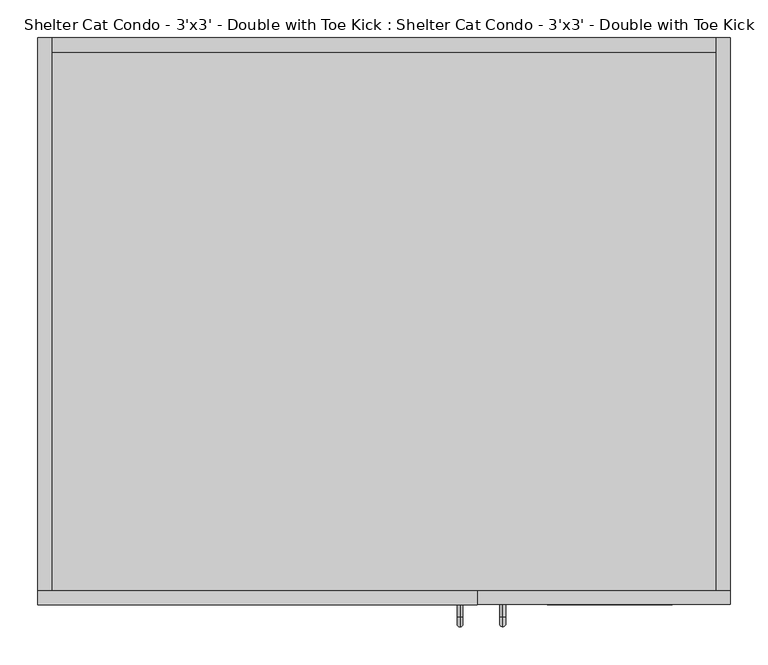
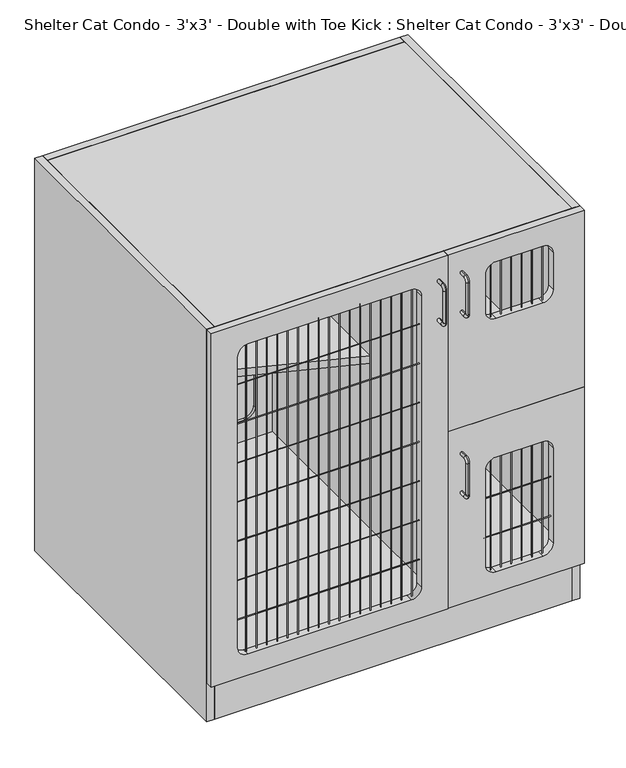
"""IFC4 building model written with IfcOpenShell, lengths in millimetres: proxy geometry, Shelter Cat Condo - 3'x3' - Double with Toe Kick : Shelter Cat Condo - 3'x3' - Double with Toe Kick."""

from ifc_helpers import new_model, si_unit, point, frame, frame_2d, origin, origin_with_axes, place, context, project, spatial, polyline, circle_curve, ellipse_curve, trimmed, segment, composite_curve, outline, extrude, source, transform, mapped, element, save
from ifc_brep_helpers import plane_surface, cylinder_surface, revolved_surface, advanced_brep


def shelter_cat_condo_3_x3_double_with_toe_kick_shelter_cat_d837baa0(model_context):
    return source(origin(), model_context, "Body", "SolidModel", [
        advanced_brep(
        [(613.9688814, -12.3992455, 956.5118154), (613.9688814, -12.3992455, 964.3631846), (613.9688814, -28.5610223, 964.3631846), (613.9688814, -28.5610223, 956.5118154), (613.9688814, -41.7249301, 951.1992768), (613.9688814, -33.8735609, 951.1992768), (613.9688814, -41.7249301, 868.0757232), (613.9688814, -33.8735609, 868.0757232), (613.9688814, -28.5610223, 854.9118154), (613.9688814, -28.5610223, 862.7631846), (613.9688814, -12.3992455, 862.7631846), (613.9688814, -12.3992455, 854.9118154)],
        [
            (0, 1, circle_curve(frame((613.9688814, -12.3992455, 960.4375), z_axis=(0.0, 1.0, 0.0), x_axis=(0.0, 0.0, 1.0)), 3.9256846)),
            (1, 0, circle_curve(frame((613.9688814, -12.3992455, 960.4375), z_axis=(0.0, 1.0, 0.0), x_axis=(0.0, 0.0, 1.0)), 3.9256846)),
            (1, 2),
            (2, 3, circle_curve(frame((613.9688814, -28.5610223, 960.4375), z_axis=(0.0, 1.0, 0.0), x_axis=(0.0, 0.0, 1.0)), 3.9256846)),
            (3, 0),
            (3, 2, circle_curve(frame((613.9688814, -28.5610223, 960.4375), z_axis=(0.0, 1.0, 0.0), x_axis=(0.0, 0.0, 1.0)), 3.9256846)),
            (4, 5, circle_curve(frame((613.9688814, -37.7992455, 951.1992768), z_axis=(0.0, 0.0, 1.0), x_axis=(0.0, -1.0, 0.0)), 3.9256846)),
            (5, 3, circle_curve(frame((613.9688814, -28.5610223, 951.1992768), z_axis=(-1.0, 0.0, 0.0), x_axis=(0.0, 0.0, 1.0)), 5.3125387)),
            (2, 4, circle_curve(frame((613.9688814, -28.5610223, 951.1992768), z_axis=(1.0, 0.0, 0.0), x_axis=(0.0, 0.0, 1.0)), 13.1639078)),
            (5, 4, circle_curve(frame((613.9688814, -37.7992455, 951.1992768), z_axis=(0.0, 0.0, 1.0), x_axis=(0.0, -1.0, 0.0)), 3.9256846)),
            (4, 6),
            (6, 7, circle_curve(frame((613.9688814, -37.7992455, 868.0757232), z_axis=(0.0, 0.0, 1.0), x_axis=(0.0, -1.0, 0.0)), 3.9256846)),
            (7, 5),
            (7, 6, circle_curve(frame((613.9688814, -37.7992455, 868.0757232), z_axis=(0.0, 0.0, 1.0), x_axis=(0.0, -1.0, 0.0)), 3.9256846)),
            (8, 9, circle_curve(frame((613.9688814, -28.5610223, 858.8375), z_axis=(0.0, -1.0, 0.0), x_axis=(0.0, 0.0, -1.0)), 3.9256846)),
            (9, 7, circle_curve(frame((613.9688814, -28.5610223, 868.0757232), z_axis=(-1.0, 0.0, 0.0), x_axis=(0.0, -1.0, 0.0)), 5.3125387)),
            (6, 8, circle_curve(frame((613.9688814, -28.5610223, 868.0757232), z_axis=(1.0, 0.0, 0.0), x_axis=(0.0, -1.0, 0.0)), 13.1639078)),
            (9, 8, circle_curve(frame((613.9688814, -28.5610223, 858.8375), z_axis=(0.0, -1.0, 0.0), x_axis=(0.0, 0.0, -1.0)), 3.9256846)),
            (10, 11, circle_curve(frame((613.9688814, -12.3992455, 858.8375), z_axis=(0.0, 1.0, 0.0), x_axis=(0.0, 0.0, -1.0)), 3.9256846)),
            (11, 10, circle_curve(frame((613.9688814, -12.3992455, 858.8375), z_axis=(0.0, 1.0, 0.0), x_axis=(0.0, 0.0, -1.0)), 3.9256846)),
            (8, 11),
            (10, 9),
        ],
        [
            plane_surface(frame((613.9688814, -12.3992455, 960.4375), z_axis=(0.0, 1.0, 0.0), x_axis=(-1.0, 0.0, 0.0))),
            cylinder_surface(frame((613.9688814, -12.3992455, 960.4375), z_axis=(0.0, 1.0, 0.0), x_axis=(0.0, 0.0, 1.0)), 3.9256846),
            revolved_surface(trimmed(ellipse_curve(frame((613.9688814, -28.5610223, 960.4375), z_axis=(0.0, -1.0, 0.0), x_axis=(0.0, 0.0, 1.0)), 3.9256846, 3.9256846), [point((613.9688814, -28.5610223, 956.5118154))], [point((613.9688814, -28.5610223, 964.3631846))], True, "CARTESIAN"), (613.9688814, -28.5610223, 951.1992768), (-1.0, 0.0, 0.0)),
            revolved_surface(trimmed(ellipse_curve(frame((613.9688814, -28.5610223, 960.4375), z_axis=(0.0, -1.0, 0.0), x_axis=(0.0, 0.0, 1.0)), 3.9256846, 3.9256846), [point((613.9688814, -28.5610223, 964.3631846))], [point((613.9688814, -28.5610223, 956.5118154))], True, "CARTESIAN"), (613.9688814, -28.5610223, 951.1992768), (-1.0, 0.0, 0.0)),
            cylinder_surface(frame((613.9688814, -37.7992455, 951.1992768), z_axis=(0.0, 0.0, 1.0), x_axis=(0.0, -1.0, 0.0)), 3.9256846),
            revolved_surface(trimmed(ellipse_curve(frame((613.9688814, -37.7992455, 868.0757232), z_axis=(0.0, 0.0, -1.0), x_axis=(0.0, -1.0, 0.0)), 3.9256846, 3.9256846), [point((613.9688814, -33.8735609, 868.0757232))], [point((613.9688814, -41.7249301, 868.0757232))], True, "CARTESIAN"), (613.9688814, -28.5610223, 868.0757232), (-1.0, 0.0, 0.0)),
            revolved_surface(trimmed(ellipse_curve(frame((613.9688814, -37.7992455, 868.0757232), z_axis=(0.0, 0.0, -1.0), x_axis=(0.0, -1.0, 0.0)), 3.9256846, 3.9256846), [point((613.9688814, -41.7249301, 868.0757232))], [point((613.9688814, -33.8735609, 868.0757232))], True, "CARTESIAN"), (613.9688814, -28.5610223, 868.0757232), (-1.0, 0.0, 0.0)),
            plane_surface(frame((613.9688814, -12.3992455, 858.8375), z_axis=(0.0, 1.0, 0.0), x_axis=(-1.0, 0.0, 0.0))),
            cylinder_surface(frame((613.9688814, -28.5610223, 858.8375), z_axis=(0.0, -1.0, 0.0), x_axis=(0.0, 0.0, -1.0)), 3.9256846),
        ],
        [
            (0, [[1, 2]]),
            (1, [[3, 4, 5, -2]]),
            (1, [[-5, 6, -3, -1]]),
            (2, [[7, 8, -4, 9]]),
            (3, [[10, -9, -6, -8]]),
            (4, [[11, 12, 13, -7]]),
            (4, [[-13, 14, -11, -10]]),
            (5, [[15, 16, -12, 17]]),
            (6, [[18, -17, -14, -16]]),
            (7, [[19, 20]]),
            (8, [[21, -19, 22, -15]]),
            (8, [[-22, -20, -21, -18]]),
        ],
    ),
        advanced_brep(
        [(613.9688814, -12.3992455, 488.1993154), (613.9688814, -12.3992455, 496.0506846), (613.9688814, -28.5610223, 496.0506846), (613.9688814, -28.5610223, 488.1993154), (613.9688814, -41.7249301, 482.8867768), (613.9688814, -33.8735609, 482.8867768), (613.9688814, -41.7249301, 399.7632232), (613.9688814, -33.8735609, 399.7632232), (613.9688814, -28.5610223, 386.5993154), (613.9688814, -28.5610223, 394.4506846), (613.9688814, -12.3992455, 394.4506846), (613.9688814, -12.3992455, 386.5993154)],
        [
            (0, 1, circle_curve(frame((613.9688814, -12.3992455, 492.125), z_axis=(0.0, 1.0, 0.0), x_axis=(0.0, 0.0, 1.0)), 3.9256846)),
            (1, 0, circle_curve(frame((613.9688814, -12.3992455, 492.125), z_axis=(0.0, 1.0, 0.0), x_axis=(0.0, 0.0, 1.0)), 3.9256846)),
            (1, 2),
            (2, 3, circle_curve(frame((613.9688814, -28.5610223, 492.125), z_axis=(0.0, 1.0, 0.0), x_axis=(0.0, 0.0, 1.0)), 3.9256846)),
            (3, 0),
            (3, 2, circle_curve(frame((613.9688814, -28.5610223, 492.125), z_axis=(0.0, 1.0, 0.0), x_axis=(0.0, 0.0, 1.0)), 3.9256846)),
            (4, 5, circle_curve(frame((613.9688814, -37.7992455, 482.8867768), z_axis=(0.0, 0.0, 1.0), x_axis=(0.0, -1.0, 0.0)), 3.9256846)),
            (5, 3, circle_curve(frame((613.9688814, -28.5610223, 482.8867768), z_axis=(-1.0, 0.0, 0.0), x_axis=(0.0, 0.0, 1.0)), 5.3125387)),
            (2, 4, circle_curve(frame((613.9688814, -28.5610223, 482.8867768), z_axis=(1.0, 0.0, 0.0), x_axis=(0.0, 0.0, 1.0)), 13.1639078)),
            (5, 4, circle_curve(frame((613.9688814, -37.7992455, 482.8867768), z_axis=(0.0, 0.0, 1.0), x_axis=(0.0, -1.0, 0.0)), 3.9256846)),
            (4, 6),
            (6, 7, circle_curve(frame((613.9688814, -37.7992455, 399.7632232), z_axis=(0.0, 0.0, 1.0), x_axis=(0.0, -1.0, 0.0)), 3.9256846)),
            (7, 5),
            (7, 6, circle_curve(frame((613.9688814, -37.7992455, 399.7632232), z_axis=(0.0, 0.0, 1.0), x_axis=(0.0, -1.0, 0.0)), 3.9256846)),
            (8, 9, circle_curve(frame((613.9688814, -28.5610223, 390.525), z_axis=(0.0, -1.0, 0.0), x_axis=(0.0, 0.0, -1.0)), 3.9256846)),
            (9, 7, circle_curve(frame((613.9688814, -28.5610223, 399.7632232), z_axis=(-1.0, 0.0, 0.0), x_axis=(0.0, -1.0, 0.0)), 5.3125387)),
            (6, 8, circle_curve(frame((613.9688814, -28.5610223, 399.7632232), z_axis=(1.0, 0.0, 0.0), x_axis=(0.0, -1.0, 0.0)), 13.1639078)),
            (9, 8, circle_curve(frame((613.9688814, -28.5610223, 390.525), z_axis=(0.0, -1.0, 0.0), x_axis=(0.0, 0.0, -1.0)), 3.9256846)),
            (10, 11, circle_curve(frame((613.9688814, -12.3992455, 390.525), z_axis=(0.0, 1.0, 0.0), x_axis=(0.0, 0.0, -1.0)), 3.9256846)),
            (11, 10, circle_curve(frame((613.9688814, -12.3992455, 390.525), z_axis=(0.0, 1.0, 0.0), x_axis=(0.0, 0.0, -1.0)), 3.9256846)),
            (8, 11),
            (10, 9),
        ],
        [
            plane_surface(frame((613.9688814, -12.3992455, 492.125), z_axis=(0.0, 1.0, 0.0), x_axis=(-1.0, 0.0, 0.0))),
            cylinder_surface(frame((613.9688814, -12.3992455, 492.125), z_axis=(0.0, 1.0, 0.0), x_axis=(0.0, 0.0, 1.0)), 3.9256846),
            revolved_surface(trimmed(ellipse_curve(frame((613.9688814, -28.5610223, 492.125), z_axis=(0.0, -1.0, 0.0), x_axis=(0.0, 0.0, 1.0)), 3.9256846, 3.9256846), [point((613.9688814, -28.5610223, 488.1993154))], [point((613.9688814, -28.5610223, 496.0506846))], True, "CARTESIAN"), (613.9688814, -28.5610223, 482.8867768), (-1.0, 0.0, 0.0)),
            revolved_surface(trimmed(ellipse_curve(frame((613.9688814, -28.5610223, 492.125), z_axis=(0.0, -1.0, 0.0), x_axis=(0.0, 0.0, 1.0)), 3.9256846, 3.9256846), [point((613.9688814, -28.5610223, 496.0506846))], [point((613.9688814, -28.5610223, 488.1993154))], True, "CARTESIAN"), (613.9688814, -28.5610223, 482.8867768), (-1.0, 0.0, 0.0)),
            cylinder_surface(frame((613.9688814, -37.7992455, 482.8867768), z_axis=(0.0, 0.0, 1.0), x_axis=(0.0, -1.0, 0.0)), 3.9256846),
            revolved_surface(trimmed(ellipse_curve(frame((613.9688814, -37.7992455, 399.7632232), z_axis=(0.0, 0.0, -1.0), x_axis=(0.0, -1.0, 0.0)), 3.9256846, 3.9256846), [point((613.9688814, -33.8735609, 399.7632232))], [point((613.9688814, -41.7249301, 399.7632232))], True, "CARTESIAN"), (613.9688814, -28.5610223, 399.7632232), (-1.0, 0.0, 0.0)),
            revolved_surface(trimmed(ellipse_curve(frame((613.9688814, -37.7992455, 399.7632232), z_axis=(0.0, 0.0, -1.0), x_axis=(0.0, -1.0, 0.0)), 3.9256846, 3.9256846), [point((613.9688814, -41.7249301, 399.7632232))], [point((613.9688814, -33.8735609, 399.7632232))], True, "CARTESIAN"), (613.9688814, -28.5610223, 399.7632232), (-1.0, 0.0, 0.0)),
            plane_surface(frame((613.9688814, -12.3992455, 390.525), z_axis=(0.0, 1.0, 0.0), x_axis=(-1.0, 0.0, 0.0))),
            cylinder_surface(frame((613.9688814, -28.5610223, 390.525), z_axis=(0.0, -1.0, 0.0), x_axis=(0.0, 0.0, -1.0)), 3.9256846),
        ],
        [
            (0, [[1, 2]]),
            (1, [[3, 4, 5, -2]]),
            (1, [[-5, 6, -3, -1]]),
            (2, [[7, 8, -4, 9]]),
            (3, [[10, -9, -6, -8]]),
            (4, [[11, 12, 13, -7]]),
            (4, [[-13, 14, -11, -10]]),
            (5, [[15, 16, -12, 17]]),
            (6, [[18, -17, -14, -16]]),
            (7, [[19, 20]]),
            (8, [[21, -19, 22, -15]]),
            (8, [[-22, -20, -21, -18]]),
        ],
    ),
        advanced_brep(
        [(557.5878423, -12.7, 954.9243154), (557.5878423, -12.7, 962.7756846), (557.5878423, -28.8617768, 954.9243154), (557.5878423, -28.8617768, 962.7756846), (557.5878423, -42.0256846, 949.6117768), (557.5878423, -34.1743154, 949.6117768), (557.5878423, -34.1743154, 866.4882232), (557.5878423, -42.0256846, 866.4882232), (557.5878423, -28.8617768, 853.3243154), (557.5878423, -28.8617768, 861.1756846), (557.5878423, -12.7, 861.1756846), (557.5878423, -12.7, 853.3243154)],
        [
            (0, 1, circle_curve(frame((557.5878423, -12.7, 958.85), z_axis=(0.0, 1.0, 0.0), x_axis=(0.0, 0.0, 1.0)), 3.9256846)),
            (1, 0, circle_curve(frame((557.5878423, -12.7, 958.85), z_axis=(0.0, 1.0, 0.0), x_axis=(0.0, 0.0, 1.0)), 3.9256846)),
            (0, 2),
            (2, 3, circle_curve(frame((557.5878423, -28.8617768, 958.85), z_axis=(0.0, 1.0, 0.0), x_axis=(0.0, 0.0, 1.0)), 3.9256846)),
            (3, 1),
            (3, 2, circle_curve(frame((557.5878423, -28.8617768, 958.85), z_axis=(0.0, 1.0, 0.0), x_axis=(0.0, 0.0, 1.0)), 3.9256846)),
            (4, 3, circle_curve(frame((557.5878423, -28.8617768, 949.6117768), z_axis=(-1.0, 0.0, 0.0), x_axis=(0.0, 0.0, 1.0)), 13.1639078)),
            (2, 5, circle_curve(frame((557.5878423, -28.8617768, 949.6117768), z_axis=(1.0, 0.0, 0.0), x_axis=(0.0, 0.0, 1.0)), 5.3125387)),
            (5, 4, circle_curve(frame((557.5878423, -38.1, 949.6117768), z_axis=(0.0, 0.0, 1.0), x_axis=(0.0, -1.0, 0.0)), 3.9256846)),
            (4, 5, circle_curve(frame((557.5878423, -38.1, 949.6117768), z_axis=(0.0, 0.0, 1.0), x_axis=(0.0, -1.0, 0.0)), 3.9256846)),
            (5, 6),
            (6, 7, circle_curve(frame((557.5878423, -38.1, 866.4882232), z_axis=(0.0, 0.0, 1.0), x_axis=(0.0, -1.0, 0.0)), 3.9256846)),
            (7, 4),
            (7, 6, circle_curve(frame((557.5878423, -38.1, 866.4882232), z_axis=(0.0, 0.0, 1.0), x_axis=(0.0, -1.0, 0.0)), 3.9256846)),
            (8, 7, circle_curve(frame((557.5878423, -28.8617768, 866.4882232), z_axis=(-1.0, 0.0, 0.0), x_axis=(0.0, -1.0, 0.0)), 13.1639078)),
            (6, 9, circle_curve(frame((557.5878423, -28.8617768, 866.4882232), z_axis=(1.0, 0.0, 0.0), x_axis=(0.0, -1.0, 0.0)), 5.3125387)),
            (9, 8, circle_curve(frame((557.5878423, -28.8617768, 857.25), z_axis=(0.0, -1.0, 0.0), x_axis=(0.0, 0.0, -1.0)), 3.9256846)),
            (8, 9, circle_curve(frame((557.5878423, -28.8617768, 857.25), z_axis=(0.0, -1.0, 0.0), x_axis=(0.0, 0.0, -1.0)), 3.9256846)),
            (10, 11, circle_curve(frame((557.5878423, -12.7, 857.25), z_axis=(0.0, 1.0, 0.0), x_axis=(0.0, 0.0, -1.0)), 3.9256846)),
            (11, 10, circle_curve(frame((557.5878423, -12.7, 857.25), z_axis=(0.0, 1.0, 0.0), x_axis=(0.0, 0.0, -1.0)), 3.9256846)),
            (9, 10),
            (11, 8),
        ],
        [
            plane_surface(frame((557.5878423, -12.7, 958.85), z_axis=(0.0, 1.0, 0.0), x_axis=(1.0, 0.0, 0.0))),
            cylinder_surface(frame((557.5878423, -12.7, 958.85), z_axis=(0.0, 1.0, 0.0), x_axis=(0.0, 0.0, 1.0)), 3.9256846),
            revolved_surface(trimmed(ellipse_curve(frame((557.5878423, -28.8617768, 958.85), z_axis=(0.0, 1.0, 0.0), x_axis=(0.0, 0.0, 1.0)), 3.9256846, 3.9256846), [point((557.5878423, -28.8617768, 954.9243154))], [point((557.5878423, -28.8617768, 962.7756846))], True, "CARTESIAN"), (557.5878423, -28.8617768, 949.6117768), (1.0, 0.0, 0.0)),
            revolved_surface(trimmed(ellipse_curve(frame((557.5878423, -28.8617768, 958.85), z_axis=(0.0, 1.0, 0.0), x_axis=(0.0, 0.0, 1.0)), 3.9256846, 3.9256846), [point((557.5878423, -28.8617768, 962.7756846))], [point((557.5878423, -28.8617768, 954.9243154))], True, "CARTESIAN"), (557.5878423, -28.8617768, 949.6117768), (1.0, 0.0, 0.0)),
            cylinder_surface(frame((557.5878423, -38.1, 949.6117768), z_axis=(0.0, 0.0, 1.0), x_axis=(0.0, -1.0, 0.0)), 3.9256846),
            revolved_surface(trimmed(ellipse_curve(frame((557.5878423, -38.1, 866.4882232), z_axis=(0.0, 0.0, 1.0), x_axis=(0.0, -1.0, 0.0)), 3.9256846, 3.9256846), [point((557.5878423, -34.1743154, 866.4882232))], [point((557.5878423, -42.0256846, 866.4882232))], True, "CARTESIAN"), (557.5878423, -28.8617768, 866.4882232), (1.0, 0.0, 0.0)),
            revolved_surface(trimmed(ellipse_curve(frame((557.5878423, -38.1, 866.4882232), z_axis=(0.0, 0.0, 1.0), x_axis=(0.0, -1.0, 0.0)), 3.9256846, 3.9256846), [point((557.5878423, -42.0256846, 866.4882232))], [point((557.5878423, -34.1743154, 866.4882232))], True, "CARTESIAN"), (557.5878423, -28.8617768, 866.4882232), (1.0, 0.0, 0.0)),
            plane_surface(frame((557.5878423, -12.7, 857.25), z_axis=(0.0, 1.0, 0.0), x_axis=(1.0, 0.0, 0.0))),
            cylinder_surface(frame((557.5878423, -28.8617768, 857.25), z_axis=(0.0, -1.0, 0.0), x_axis=(0.0, 0.0, -1.0)), 3.9256846),
        ],
        [
            (0, [[1, 2]]),
            (1, [[-1, 3, 4, 5]]),
            (1, [[-2, -5, 6, -3]]),
            (2, [[7, -4, 8, 9]]),
            (3, [[-8, -6, -7, 10]]),
            (4, [[-9, 11, 12, 13]]),
            (4, [[-10, -13, 14, -11]]),
            (5, [[15, -12, 16, 17]]),
            (6, [[-16, -14, -15, 18]]),
            (7, [[19, 20]]),
            (8, [[-17, 21, -20, 22]]),
            (8, [[-18, -22, -19, -21]]),
        ],
    ),
        extrude(outline(polyline([(895.35, 25.4), (895.35, 6.35), (19.05, 6.35), (19.05, 25.4), (895.35, 25.4)])), origin_with_axes(), (0.0, 0.0, 1.0), 101.6),
        extrude(outline(polyline([(1016.2479317, 895.35), (1016.2479317, 19.05), (101.6, 19.05), (101.6, 895.35), (1016.2479317, 895.35)]), holes=[composite_curve([segment(polyline([(854.3229317, 529.1944927), (200.025, 529.1944927)]), True, "CONTINUOUS"), segment(trimmed(circle_curve(frame_2d((200.025, 503.7944927)), 25.4), [point((200.025, 529.1944927))], [point((174.625, 503.7944927))], True, "CARTESIAN"), True, "CONTINUOUS"), segment(polyline([(174.625, 503.7944927), (174.625, 103.98125)]), True, "CONTINUOUS"), segment(trimmed(circle_curve(frame_2d((200.025, 103.98125)), 25.4), [point((174.625, 103.98125))], [point((200.025, 78.58125))], True, "CARTESIAN"), True, "CONTINUOUS"), segment(polyline([(200.025, 78.58125), (854.3229317, 78.58125)]), True, "CONTINUOUS"), segment(trimmed(circle_curve(frame_2d((854.3229317, 103.98125)), 25.4), [point((854.3229317, 78.58125))], [point((879.7229317, 103.98125))], True, "CARTESIAN"), True, "CONTINUOUS"), segment(polyline([(879.7229317, 103.98125), (879.7229317, 503.7944927)]), True, "CONTINUOUS"), segment(trimmed(circle_curve(frame_2d((854.3229317, 503.7944927)), 25.4), [point((879.7229317, 503.7944927))], [point((854.3229317, 529.1944927))], True, "CARTESIAN"), True, "CONTINUOUS")], self_intersect=False)]), frame((0.0, 717.55, 0.0), z_axis=(0.0, 1.0, 0.0), x_axis=(0.0, 0.0, 1.0)), (0.0, 0.0, 1.0), 19.05),
        extrude(outline(polyline([(571.5, 717.55), (590.55, 717.55), (590.55, 6.35), (571.5, 6.35), (571.5, 717.55)])), frame((0.0, 0.0, 120.65), z_axis=(0.0, 0.0, 1.0), x_axis=(1.0, 0.0, 0.0)), (0.0, 0.0, 1.0), 876.5479317),
        extrude(outline(composite_curve([segment(polyline([(879.7229317, 503.7944927), (879.7229317, 103.98125)]), True, "CONTINUOUS"), segment(trimmed(circle_curve(frame_2d((854.3229317, 103.98125)), 25.4), [point((879.7229317, 103.98125))], [point((854.3229317, 78.58125))], False, "CARTESIAN"), True, "CONTINUOUS"), segment(polyline([(854.3229317, 78.58125), (200.025, 78.58125)]), True, "CONTINUOUS"), segment(trimmed(circle_curve(frame_2d((200.025, 103.98125)), 25.4), [point((200.025, 78.58125))], [point((174.625, 103.98125))], False, "CARTESIAN"), True, "CONTINUOUS"), segment(polyline([(174.625, 103.98125), (174.625, 503.7944927)]), True, "CONTINUOUS"), segment(trimmed(circle_curve(frame_2d((200.025, 503.7944927)), 25.4), [point((174.625, 503.7944927))], [point((200.025, 529.1944927))], False, "CARTESIAN"), True, "CONTINUOUS"), segment(polyline([(200.025, 529.1944927), (854.3229317, 529.1944927)]), True, "CONTINUOUS"), segment(trimmed(circle_curve(frame_2d((854.3229317, 503.7944927)), 25.4), [point((854.3229317, 529.1944927))], [point((879.7229317, 503.7944927))], False, "CARTESIAN"), True, "CONTINUOUS")], self_intersect=False)), frame((0.0, 723.9, 0.0), z_axis=(0.0, 1.0, 0.0), x_axis=(0.0, 0.0, 1.0)), (0.0, 0.0, 1.0), 6.35),
        extrude(outline(polyline([(571.5, 717.55), (571.5, 300.5746441), (19.05, 501.65), (19.05, 717.55), (571.5, 717.55)])), frame((0.0, 0.0, 550.3822176), z_axis=(0.0, 0.0, 1.0), x_axis=(1.0, 0.0, 0.0)), (0.0, 0.0, 1.0), 19.05),
        extrude(outline(polyline([(895.35, 717.55), (895.35, 6.35), (590.55, 6.35), (590.55, 717.55), (895.35, 717.55)])), frame((0.0, 0.0, 549.3989658), z_axis=(0.0, 0.0, 1.0), x_axis=(1.0, 0.0, 0.0)), (0.0, 0.0, 1.0), 19.05),
        extrude(outline(polyline([(895.35, 717.55), (895.35, 6.35), (19.05, 6.35), (19.05, 717.55), (895.35, 717.55)])), frame((0.0, 0.0, 997.1979317), z_axis=(0.0, 0.0, 1.0), x_axis=(1.0, 0.0, 0.0)), (0.0, 0.0, 1.0), 19.05),
        extrude(outline(polyline([(895.35, 6.35), (19.05, 6.35), (19.05, 717.55), (895.35, 717.55), (895.35, 6.35)])), frame((0.0, 0.0, 101.6), z_axis=(0.0, 0.0, 1.0), x_axis=(1.0, 0.0, 0.0)), (0.0, 0.0, 1.0), 19.05),
        extrude(outline(polyline([(895.35, 736.6), (914.4, 736.6), (914.4, 6.35), (895.35, 6.35), (895.35, 736.6)])), origin_with_axes(), (0.0, 0.0, 1.0), 1016.2479317),
        extrude(outline(polyline([(19.05, 736.6), (19.05, 6.35), (0.0, 6.35), (0.0, 736.6), (19.05, 736.6)])), origin_with_axes(), (0.0, 0.0, 1.0), 1016.2479317),
        extrude(outline(composite_curve([segment(trimmed(circle_curve(frame_2d((-3.3102248, 246.0625)), 0.79375), [point((-3.3102248, 246.85625))], [point((-3.3102248, 245.26875))], False, "CARTESIAN"), True, "CONTINUOUS"), segment(trimmed(circle_curve(frame_2d((-3.3102248, 246.0625)), 0.79375), [point((-3.3102248, 245.26875))], [point((-3.3102248, 246.85625))], False, "CARTESIAN"), True, "CONTINUOUS")], self_intersect=False)), frame((64.7676292, 0.0, 0.0), z_axis=(1.0, 0.0, 0.0), x_axis=(0.0, 1.0, 0.0)), (0.0, 0.0, 1.0), 450.85),
        extrude(outline(composite_curve([segment(trimmed(circle_curve(frame_2d((-3.3102248, 855.6625)), 0.79375), [point((-3.3102248, 856.45625))], [point((-3.3102248, 854.86875))], False, "CARTESIAN"), True, "CONTINUOUS"), segment(trimmed(circle_curve(frame_2d((-3.3102248, 855.6625)), 0.79375), [point((-3.3102248, 854.86875))], [point((-3.3102248, 856.45625))], False, "CARTESIAN"), True, "CONTINUOUS")], self_intersect=False)), frame((64.7676292, 0.0, 0.0), z_axis=(1.0, 0.0, 0.0), x_axis=(0.0, 1.0, 0.0)), (0.0, 0.0, 1.0), 450.85),
        extrude(outline(composite_curve([segment(trimmed(circle_curve(frame_2d((-3.3102248, 754.0625)), 0.79375), [point((-3.3102248, 754.85625))], [point((-3.3102248, 753.26875))], False, "CARTESIAN"), True, "CONTINUOUS"), segment(trimmed(circle_curve(frame_2d((-3.3102248, 754.0625)), 0.79375), [point((-3.3102248, 753.26875))], [point((-3.3102248, 754.85625))], False, "CARTESIAN"), True, "CONTINUOUS")], self_intersect=False)), frame((64.7676292, 0.0, 0.0), z_axis=(1.0, 0.0, 0.0), x_axis=(0.0, 1.0, 0.0)), (0.0, 0.0, 1.0), 450.85),
        extrude(outline(polyline([(558.9239658, 914.4), (558.9239658, 580.3812652), (101.6, 580.3812652), (101.6, 914.4), (558.9239658, 914.4)]), holes=[composite_curve([segment(polyline([(452.4375, 698.5), (452.4375, 812.8)]), True, "CONTINUOUS"), segment(trimmed(circle_curve(frame_2d((427.0375, 812.8)), 25.4), [point((452.4375, 812.8))], [point((427.0375, 838.2))], True, "CARTESIAN"), True, "CONTINUOUS"), segment(polyline([(427.0375, 838.2), (180.975, 838.2)]), True, "CONTINUOUS"), segment(trimmed(circle_curve(frame_2d((180.975, 812.8)), 25.4), [point((180.975, 838.2))], [point((155.575, 812.8))], True, "CARTESIAN"), True, "CONTINUOUS"), segment(polyline([(155.575, 812.8), (155.575, 698.5)]), True, "CONTINUOUS"), segment(trimmed(circle_curve(frame_2d((180.975, 698.5)), 25.4), [point((155.575, 698.5))], [point((180.975, 673.1))], True, "CARTESIAN"), True, "CONTINUOUS"), segment(polyline([(180.975, 673.1), (427.0375, 673.1)]), True, "CONTINUOUS"), segment(trimmed(circle_curve(frame_2d((427.0375, 698.5)), 25.4), [point((427.0375, 673.1))], [point((452.4375, 698.5))], True, "CARTESIAN"), True, "CONTINUOUS")], self_intersect=False)]), frame((0.0, -12.3992455, 0.0), z_axis=(0.0, 1.0, 0.0), x_axis=(0.0, 0.0, 1.0)), (0.0, 0.0, 1.0), 19.05),
        extrude(outline(composite_curve([segment(trimmed(circle_curve(frame_2d((817.0432082, -3.3071265)), 0.79375), [point((816.2494582, -3.3071265))], [point((817.8369582, -3.3071265))], False, "CARTESIAN"), True, "CONTINUOUS"), segment(trimmed(circle_curve(frame_2d((817.0432082, -3.3071265)), 0.79375), [point((817.8369582, -3.3071265))], [point((816.2494582, -3.3071265))], False, "CARTESIAN"), True, "CONTINUOUS")], self_intersect=False)), frame((0.0, 0.0, 811.6855774), z_axis=(0.0, 0.0, 1.0), x_axis=(1.0, 0.0, 0.0)), (0.0, 0.0, 1.0), 147.1644226),
        extrude(outline(composite_curve([segment(trimmed(circle_curve(frame_2d((791.6432082, -3.3071265)), 0.79375), [point((790.8494582, -3.3071265))], [point((792.4369582, -3.3071265))], False, "CARTESIAN"), True, "CONTINUOUS"), segment(trimmed(circle_curve(frame_2d((791.6432082, -3.3071265)), 0.79375), [point((792.4369582, -3.3071265))], [point((790.8494582, -3.3071265))], False, "CARTESIAN"), True, "CONTINUOUS")], self_intersect=False)), frame((0.0, 0.0, 811.6855774), z_axis=(0.0, 0.0, 1.0), x_axis=(1.0, 0.0, 0.0)), (0.0, 0.0, 1.0), 147.1644226),
        extrude(outline(composite_curve([segment(trimmed(circle_curve(frame_2d((766.2432082, -3.3071265)), 0.79375), [point((765.4494582, -3.3071265))], [point((767.0369582, -3.3071265))], False, "CARTESIAN"), True, "CONTINUOUS"), segment(trimmed(circle_curve(frame_2d((766.2432082, -3.3071265)), 0.79375), [point((767.0369582, -3.3071265))], [point((765.4494582, -3.3071265))], False, "CARTESIAN"), True, "CONTINUOUS")], self_intersect=False)), frame((0.0, 0.0, 811.6855774), z_axis=(0.0, 0.0, 1.0), x_axis=(1.0, 0.0, 0.0)), (0.0, 0.0, 1.0), 147.1644226),
        extrude(outline(composite_curve([segment(trimmed(circle_curve(frame_2d((740.8432082, -3.3071265)), 0.79375), [point((740.0494582, -3.3071265))], [point((741.6369582, -3.3071265))], False, "CARTESIAN"), True, "CONTINUOUS"), segment(trimmed(circle_curve(frame_2d((740.8432082, -3.3071265)), 0.79375), [point((741.6369582, -3.3071265))], [point((740.0494582, -3.3071265))], False, "CARTESIAN"), True, "CONTINUOUS")], self_intersect=False)), frame((0.0, 0.0, 811.6855774), z_axis=(0.0, 0.0, 1.0), x_axis=(1.0, 0.0, 0.0)), (0.0, 0.0, 1.0), 147.1644226),
        extrude(outline(composite_curve([segment(trimmed(circle_curve(frame_2d((715.4432082, -3.3071265)), 0.79375), [point((714.6494582, -3.3071265))], [point((716.2369582, -3.3071265))], False, "CARTESIAN"), True, "CONTINUOUS"), segment(trimmed(circle_curve(frame_2d((715.4432082, -3.3071265)), 0.79375), [point((716.2369582, -3.3071265))], [point((714.6494582, -3.3071265))], False, "CARTESIAN"), True, "CONTINUOUS")], self_intersect=False)), frame((0.0, 0.0, 811.6855774), z_axis=(0.0, 0.0, 1.0), x_axis=(1.0, 0.0, 0.0)), (0.0, 0.0, 1.0), 147.1644226),
        extrude(outline(composite_curve([segment(trimmed(circle_curve(frame_2d((690.0432082, -3.3071265)), 0.79375), [point((689.2494582, -3.3071265))], [point((690.8369582, -3.3071265))], False, "CARTESIAN"), True, "CONTINUOUS"), segment(trimmed(circle_curve(frame_2d((690.0432082, -3.3071265)), 0.79375), [point((690.8369582, -3.3071265))], [point((689.2494582, -3.3071265))], False, "CARTESIAN"), True, "CONTINUOUS")], self_intersect=False)), frame((0.0, 0.0, 811.6855774), z_axis=(0.0, 0.0, 1.0), x_axis=(1.0, 0.0, 0.0)), (0.0, 0.0, 1.0), 147.1644226),
        extrude(outline(composite_curve([segment(trimmed(circle_curve(frame_2d((817.0505766, -3.3102248)), 0.79375), [point((816.2568266, -3.3102248))], [point((817.8443266, -3.3102248))], False, "CARTESIAN"), True, "CONTINUOUS"), segment(trimmed(circle_curve(frame_2d((817.0505766, -3.3102248)), 0.79375), [point((817.8443266, -3.3102248))], [point((816.2568266, -3.3102248))], False, "CARTESIAN"), True, "CONTINUOUS")], self_intersect=False)), frame((0.0, 0.0, 155.575), z_axis=(0.0, 0.0, 1.0), x_axis=(1.0, 0.0, 0.0)), (0.0, 0.0, 1.0), 296.8625),
        extrude(outline(composite_curve([segment(trimmed(circle_curve(frame_2d((791.6505766, -3.3102248)), 0.79375), [point((790.8568266, -3.3102248))], [point((792.4443266, -3.3102248))], False, "CARTESIAN"), True, "CONTINUOUS"), segment(trimmed(circle_curve(frame_2d((791.6505766, -3.3102248)), 0.79375), [point((792.4443266, -3.3102248))], [point((790.8568266, -3.3102248))], False, "CARTESIAN"), True, "CONTINUOUS")], self_intersect=False)), frame((0.0, 0.0, 155.575), z_axis=(0.0, 0.0, 1.0), x_axis=(1.0, 0.0, 0.0)), (0.0, 0.0, 1.0), 296.8625),
        extrude(outline(composite_curve([segment(trimmed(circle_curve(frame_2d((766.2505766, -3.3102248)), 0.79375), [point((765.4568266, -3.3102248))], [point((767.0443266, -3.3102248))], False, "CARTESIAN"), True, "CONTINUOUS"), segment(trimmed(circle_curve(frame_2d((766.2505766, -3.3102248)), 0.79375), [point((767.0443266, -3.3102248))], [point((765.4568266, -3.3102248))], False, "CARTESIAN"), True, "CONTINUOUS")], self_intersect=False)), frame((0.0, 0.0, 155.575), z_axis=(0.0, 0.0, 1.0), x_axis=(1.0, 0.0, 0.0)), (0.0, 0.0, 1.0), 296.8625),
        extrude(outline(composite_curve([segment(trimmed(circle_curve(frame_2d((740.8505766, -3.3102248)), 0.79375), [point((740.0568266, -3.3102248))], [point((741.6443266, -3.3102248))], False, "CARTESIAN"), True, "CONTINUOUS"), segment(trimmed(circle_curve(frame_2d((740.8505766, -3.3102248)), 0.79375), [point((741.6443266, -3.3102248))], [point((740.0568266, -3.3102248))], False, "CARTESIAN"), True, "CONTINUOUS")], self_intersect=False)), frame((0.0, 0.0, 155.575), z_axis=(0.0, 0.0, 1.0), x_axis=(1.0, 0.0, 0.0)), (0.0, 0.0, 1.0), 296.8625),
        extrude(outline(composite_curve([segment(trimmed(circle_curve(frame_2d((715.4505766, -3.3102248)), 0.79375), [point((714.6568266, -3.3102248))], [point((716.2443266, -3.3102248))], False, "CARTESIAN"), True, "CONTINUOUS"), segment(trimmed(circle_curve(frame_2d((715.4505766, -3.3102248)), 0.79375), [point((716.2443266, -3.3102248))], [point((714.6568266, -3.3102248))], False, "CARTESIAN"), True, "CONTINUOUS")], self_intersect=False)), frame((0.0, 0.0, 155.575), z_axis=(0.0, 0.0, 1.0), x_axis=(1.0, 0.0, 0.0)), (0.0, 0.0, 1.0), 296.8625),
        extrude(outline(composite_curve([segment(trimmed(circle_curve(frame_2d((690.0505766, -3.3102248)), 0.79375), [point((689.2568266, -3.3102248))], [point((690.8443266, -3.3102248))], False, "CARTESIAN"), True, "CONTINUOUS"), segment(trimmed(circle_curve(frame_2d((690.0505766, -3.3102248)), 0.79375), [point((690.8443266, -3.3102248))], [point((689.2568266, -3.3102248))], False, "CARTESIAN"), True, "CONTINUOUS")], self_intersect=False)), frame((0.0, 0.0, 155.575), z_axis=(0.0, 0.0, 1.0), x_axis=(1.0, 0.0, 0.0)), (0.0, 0.0, 1.0), 296.8625),
        extrude(outline(composite_curve([segment(trimmed(circle_curve(frame_2d((-3.3102248, 347.6625)), 0.79375), [point((-3.3102248, 348.45625))], [point((-3.3102248, 346.86875))], False, "CARTESIAN"), True, "CONTINUOUS"), segment(trimmed(circle_curve(frame_2d((-3.3102248, 347.6625)), 0.79375), [point((-3.3102248, 346.86875))], [point((-3.3102248, 348.45625))], False, "CARTESIAN"), True, "CONTINUOUS")], self_intersect=False)), frame((673.1, 0.0, 0.0), z_axis=(1.0, 0.0, 0.0), x_axis=(0.0, 1.0, 0.0)), (0.0, 0.0, 1.0), 165.1),
        extrude(outline(composite_curve([segment(trimmed(circle_curve(frame_2d((-3.3102248, 246.0625)), 0.79375), [point((-3.3102248, 246.85625))], [point((-3.3102248, 245.26875))], False, "CARTESIAN"), True, "CONTINUOUS"), segment(trimmed(circle_curve(frame_2d((-3.3102248, 246.0625)), 0.79375), [point((-3.3102248, 245.26875))], [point((-3.3102248, 246.85625))], False, "CARTESIAN"), True, "CONTINUOUS")], self_intersect=False)), frame((673.1, 0.0, 0.0), z_axis=(1.0, 0.0, 0.0), x_axis=(0.0, 1.0, 0.0)), (0.0, 0.0, 1.0), 165.1),
        extrude(outline(polyline([(1016.2479317, 580.3812652), (1016.2479317, 0.0), (101.6, 0.0), (101.6, 580.3812652), (1016.2479317, 580.3812652)]), holes=[composite_curve([segment(polyline([(933.45, 515.6176292), (180.975, 515.6176292)]), True, "CONTINUOUS"), segment(trimmed(circle_curve(frame_2d((180.975, 490.2176292)), 25.4), [point((180.975, 515.6176292))], [point((155.575, 490.2176292))], True, "CARTESIAN"), True, "CONTINUOUS"), segment(polyline([(155.575, 490.2176292), (155.575, 90.1656326)]), True, "CONTINUOUS"), segment(trimmed(circle_curve(frame_2d((180.975, 90.1656326)), 25.4), [point((155.575, 90.1656326))], [point((180.975, 64.7656326))], True, "CARTESIAN"), True, "CONTINUOUS"), segment(polyline([(180.975, 64.7656326), (933.45, 64.7656326)]), True, "CONTINUOUS"), segment(trimmed(circle_curve(frame_2d((933.45, 90.1656326)), 25.4), [point((933.45, 64.7656326))], [point((958.85, 90.1656326))], True, "CARTESIAN"), True, "CONTINUOUS"), segment(polyline([(958.85, 90.1656326), (958.85, 490.2176292)]), True, "CONTINUOUS"), segment(trimmed(circle_curve(frame_2d((933.45, 490.2176292)), 25.4), [point((958.85, 490.2176292))], [point((933.45, 515.6176292))], True, "CARTESIAN"), True, "CONTINUOUS")], self_intersect=False)]), frame((0.0, -12.7, 0.0), z_axis=(0.0, 1.0, 0.0), x_axis=(0.0, 0.0, 1.0)), (0.0, 0.0, 1.0), 19.05),
        extrude(outline(polyline([(1016.2479317, 914.4), (1016.2479317, 580.3812652), (558.9239658, 580.3812652), (558.9239658, 914.4), (1016.2479317, 914.4)]), holes=[composite_curve([segment(polyline([(958.85, 698.5), (958.85, 812.8)]), True, "CONTINUOUS"), segment(trimmed(circle_curve(frame_2d((933.45, 812.8)), 25.4), [point((958.85, 812.8))], [point((933.45, 838.2))], True, "CARTESIAN"), True, "CONTINUOUS"), segment(polyline([(933.45, 838.2), (837.0855774, 838.2)]), True, "CONTINUOUS"), segment(trimmed(circle_curve(frame_2d((837.0855774, 812.8)), 25.4), [point((837.0855774, 838.2))], [point((811.6855774, 812.8))], True, "CARTESIAN"), True, "CONTINUOUS"), segment(polyline([(811.6855774, 812.8), (811.6855774, 698.5)]), True, "CONTINUOUS"), segment(trimmed(circle_curve(frame_2d((837.0855774, 698.5)), 25.4), [point((811.6855774, 698.5))], [point((837.0855774, 673.1))], True, "CARTESIAN"), True, "CONTINUOUS"), segment(polyline([(837.0855774, 673.1), (933.45, 673.1)]), True, "CONTINUOUS"), segment(trimmed(circle_curve(frame_2d((933.45, 698.5)), 25.4), [point((933.45, 673.1))], [point((958.85, 698.5))], True, "CARTESIAN"), True, "CONTINUOUS")], self_intersect=False)]), frame((0.0, -12.3992455, 0.0), z_axis=(0.0, 1.0, 0.0), x_axis=(0.0, 0.0, 1.0)), (0.0, 0.0, 1.0), 19.05),
        extrude(outline(composite_curve([segment(trimmed(circle_curve(frame_2d((-3.3102248, 652.4625)), 0.79375), [point((-3.3102248, 653.25625))], [point((-3.3102248, 651.66875))], False, "CARTESIAN"), True, "CONTINUOUS"), segment(trimmed(circle_curve(frame_2d((-3.3102248, 652.4625)), 0.79375), [point((-3.3102248, 651.66875))], [point((-3.3102248, 653.25625))], False, "CARTESIAN"), True, "CONTINUOUS")], self_intersect=False)), frame((64.7676292, 0.0, 0.0), z_axis=(1.0, 0.0, 0.0), x_axis=(0.0, 1.0, 0.0)), (0.0, 0.0, 1.0), 450.85),
        extrude(outline(composite_curve([segment(trimmed(circle_curve(frame_2d((-3.3102248, 550.8625)), 0.79375), [point((-3.3102248, 551.65625))], [point((-3.3102248, 550.06875))], False, "CARTESIAN"), True, "CONTINUOUS"), segment(trimmed(circle_curve(frame_2d((-3.3102248, 550.8625)), 0.79375), [point((-3.3102248, 550.06875))], [point((-3.3102248, 551.65625))], False, "CARTESIAN"), True, "CONTINUOUS")], self_intersect=False)), frame((64.7676292, 0.0, 0.0), z_axis=(1.0, 0.0, 0.0), x_axis=(0.0, 1.0, 0.0)), (0.0, 0.0, 1.0), 450.85),
        extrude(outline(composite_curve([segment(trimmed(circle_curve(frame_2d((-3.3102248, 449.2625)), 0.79375), [point((-3.3102248, 450.05625))], [point((-3.3102248, 448.46875))], False, "CARTESIAN"), True, "CONTINUOUS"), segment(trimmed(circle_curve(frame_2d((-3.3102248, 449.2625)), 0.79375), [point((-3.3102248, 448.46875))], [point((-3.3102248, 450.05625))], False, "CARTESIAN"), True, "CONTINUOUS")], self_intersect=False)), frame((64.7676292, 0.0, 0.0), z_axis=(1.0, 0.0, 0.0), x_axis=(0.0, 1.0, 0.0)), (0.0, 0.0, 1.0), 450.85),
        extrude(outline(composite_curve([segment(trimmed(circle_curve(frame_2d((-3.3102248, 347.6625)), 0.79375), [point((-3.3102248, 348.45625))], [point((-3.3102248, 346.86875))], False, "CARTESIAN"), True, "CONTINUOUS"), segment(trimmed(circle_curve(frame_2d((-3.3102248, 347.6625)), 0.79375), [point((-3.3102248, 346.86875))], [point((-3.3102248, 348.45625))], False, "CARTESIAN"), True, "CONTINUOUS")], self_intersect=False)), frame((64.7676292, 0.0, 0.0), z_axis=(1.0, 0.0, 0.0), x_axis=(0.0, 1.0, 0.0)), (0.0, 0.0, 1.0), 450.85),
        extrude(outline(composite_curve([segment(trimmed(circle_curve(frame_2d((497.2783457, -3.3102248)), 0.79375), [point((496.4845957, -3.3102248))], [point((498.0720957, -3.3102248))], False, "CARTESIAN"), True, "CONTINUOUS"), segment(trimmed(circle_curve(frame_2d((497.2783457, -3.3102248)), 0.79375), [point((498.0720957, -3.3102248))], [point((496.4845957, -3.3102248))], False, "CARTESIAN"), True, "CONTINUOUS")], self_intersect=False)), frame((0.0, 0.0, 155.575), z_axis=(0.0, 0.0, 1.0), x_axis=(1.0, 0.0, 0.0)), (0.0, 0.0, 1.0), 803.275),
        extrude(outline(composite_curve([segment(trimmed(circle_curve(frame_2d((471.8783457, -3.3102248)), 0.79375), [point((471.0845957, -3.3102248))], [point((472.6720957, -3.3102248))], False, "CARTESIAN"), True, "CONTINUOUS"), segment(trimmed(circle_curve(frame_2d((471.8783457, -3.3102248)), 0.79375), [point((472.6720957, -3.3102248))], [point((471.0845957, -3.3102248))], False, "CARTESIAN"), True, "CONTINUOUS")], self_intersect=False)), frame((0.0, 0.0, 155.575), z_axis=(0.0, 0.0, 1.0), x_axis=(1.0, 0.0, 0.0)), (0.0, 0.0, 1.0), 803.275),
        extrude(outline(composite_curve([segment(trimmed(circle_curve(frame_2d((446.4783457, -3.3102248)), 0.79375), [point((445.6845957, -3.3102248))], [point((447.2720957, -3.3102248))], False, "CARTESIAN"), True, "CONTINUOUS"), segment(trimmed(circle_curve(frame_2d((446.4783457, -3.3102248)), 0.79375), [point((447.2720957, -3.3102248))], [point((445.6845957, -3.3102248))], False, "CARTESIAN"), True, "CONTINUOUS")], self_intersect=False)), frame((0.0, 0.0, 155.575), z_axis=(0.0, 0.0, 1.0), x_axis=(1.0, 0.0, 0.0)), (0.0, 0.0, 1.0), 803.275),
        extrude(outline(composite_curve([segment(trimmed(circle_curve(frame_2d((421.0783457, -3.3102248)), 0.79375), [point((420.2845957, -3.3102248))], [point((421.8720957, -3.3102248))], False, "CARTESIAN"), True, "CONTINUOUS"), segment(trimmed(circle_curve(frame_2d((421.0783457, -3.3102248)), 0.79375), [point((421.8720957, -3.3102248))], [point((420.2845957, -3.3102248))], False, "CARTESIAN"), True, "CONTINUOUS")], self_intersect=False)), frame((0.0, 0.0, 155.575), z_axis=(0.0, 0.0, 1.0), x_axis=(1.0, 0.0, 0.0)), (0.0, 0.0, 1.0), 803.275),
        extrude(outline(composite_curve([segment(trimmed(circle_curve(frame_2d((395.6783457, -3.3102248)), 0.79375), [point((394.8845957, -3.3102248))], [point((396.4720957, -3.3102248))], False, "CARTESIAN"), True, "CONTINUOUS"), segment(trimmed(circle_curve(frame_2d((395.6783457, -3.3102248)), 0.79375), [point((396.4720957, -3.3102248))], [point((394.8845957, -3.3102248))], False, "CARTESIAN"), True, "CONTINUOUS")], self_intersect=False)), frame((0.0, 0.0, 155.575), z_axis=(0.0, 0.0, 1.0), x_axis=(1.0, 0.0, 0.0)), (0.0, 0.0, 1.0), 803.275),
        extrude(outline(composite_curve([segment(trimmed(circle_curve(frame_2d((370.2783457, -3.3102248)), 0.79375), [point((369.4845957, -3.3102248))], [point((371.0720957, -3.3102248))], False, "CARTESIAN"), True, "CONTINUOUS"), segment(trimmed(circle_curve(frame_2d((370.2783457, -3.3102248)), 0.79375), [point((371.0720957, -3.3102248))], [point((369.4845957, -3.3102248))], False, "CARTESIAN"), True, "CONTINUOUS")], self_intersect=False)), frame((0.0, 0.0, 155.575), z_axis=(0.0, 0.0, 1.0), x_axis=(1.0, 0.0, 0.0)), (0.0, 0.0, 1.0), 803.275),
        extrude(outline(composite_curve([segment(trimmed(circle_curve(frame_2d((344.8783457, -3.3102248)), 0.79375), [point((344.0845957, -3.3102248))], [point((345.6720957, -3.3102248))], False, "CARTESIAN"), True, "CONTINUOUS"), segment(trimmed(circle_curve(frame_2d((344.8783457, -3.3102248)), 0.79375), [point((345.6720957, -3.3102248))], [point((344.0845957, -3.3102248))], False, "CARTESIAN"), True, "CONTINUOUS")], self_intersect=False)), frame((0.0, 0.0, 155.575), z_axis=(0.0, 0.0, 1.0), x_axis=(1.0, 0.0, 0.0)), (0.0, 0.0, 1.0), 803.275),
        extrude(outline(composite_curve([segment(trimmed(circle_curve(frame_2d((319.4783457, -3.3102248)), 0.79375), [point((318.6845957, -3.3102248))], [point((320.2720957, -3.3102248))], False, "CARTESIAN"), True, "CONTINUOUS"), segment(trimmed(circle_curve(frame_2d((319.4783457, -3.3102248)), 0.79375), [point((320.2720957, -3.3102248))], [point((318.6845957, -3.3102248))], False, "CARTESIAN"), True, "CONTINUOUS")], self_intersect=False)), frame((0.0, 0.0, 155.575), z_axis=(0.0, 0.0, 1.0), x_axis=(1.0, 0.0, 0.0)), (0.0, 0.0, 1.0), 803.275),
        extrude(outline(composite_curve([segment(trimmed(circle_curve(frame_2d((294.0783457, -3.3102248)), 0.79375), [point((293.2845957, -3.3102248))], [point((294.8720957, -3.3102248))], False, "CARTESIAN"), True, "CONTINUOUS"), segment(trimmed(circle_curve(frame_2d((294.0783457, -3.3102248)), 0.79375), [point((294.8720957, -3.3102248))], [point((293.2845957, -3.3102248))], False, "CARTESIAN"), True, "CONTINUOUS")], self_intersect=False)), frame((0.0, 0.0, 155.575), z_axis=(0.0, 0.0, 1.0), x_axis=(1.0, 0.0, 0.0)), (0.0, 0.0, 1.0), 803.275),
        extrude(outline(composite_curve([segment(trimmed(circle_curve(frame_2d((268.6783457, -3.3102248)), 0.79375), [point((267.8845957, -3.3102248))], [point((269.4720957, -3.3102248))], False, "CARTESIAN"), True, "CONTINUOUS"), segment(trimmed(circle_curve(frame_2d((268.6783457, -3.3102248)), 0.79375), [point((269.4720957, -3.3102248))], [point((267.8845957, -3.3102248))], False, "CARTESIAN"), True, "CONTINUOUS")], self_intersect=False)), frame((0.0, 0.0, 155.575), z_axis=(0.0, 0.0, 1.0), x_axis=(1.0, 0.0, 0.0)), (0.0, 0.0, 1.0), 803.275),
        extrude(outline(composite_curve([segment(trimmed(circle_curve(frame_2d((243.2783457, -3.3102248)), 0.79375), [point((242.4845957, -3.3102248))], [point((244.0720957, -3.3102248))], False, "CARTESIAN"), True, "CONTINUOUS"), segment(trimmed(circle_curve(frame_2d((243.2783457, -3.3102248)), 0.79375), [point((244.0720957, -3.3102248))], [point((242.4845957, -3.3102248))], False, "CARTESIAN"), True, "CONTINUOUS")], self_intersect=False)), frame((0.0, 0.0, 155.575), z_axis=(0.0, 0.0, 1.0), x_axis=(1.0, 0.0, 0.0)), (0.0, 0.0, 1.0), 803.275),
        extrude(outline(composite_curve([segment(trimmed(circle_curve(frame_2d((217.8783457, -3.3102248)), 0.79375), [point((217.0845957, -3.3102248))], [point((218.6720957, -3.3102248))], False, "CARTESIAN"), True, "CONTINUOUS"), segment(trimmed(circle_curve(frame_2d((217.8783457, -3.3102248)), 0.79375), [point((218.6720957, -3.3102248))], [point((217.0845957, -3.3102248))], False, "CARTESIAN"), True, "CONTINUOUS")], self_intersect=False)), frame((0.0, 0.0, 155.575), z_axis=(0.0, 0.0, 1.0), x_axis=(1.0, 0.0, 0.0)), (0.0, 0.0, 1.0), 803.275),
        extrude(outline(composite_curve([segment(trimmed(circle_curve(frame_2d((192.4783457, -3.3102248)), 0.79375), [point((191.6845957, -3.3102248))], [point((193.2720957, -3.3102248))], False, "CARTESIAN"), True, "CONTINUOUS"), segment(trimmed(circle_curve(frame_2d((192.4783457, -3.3102248)), 0.79375), [point((193.2720957, -3.3102248))], [point((191.6845957, -3.3102248))], False, "CARTESIAN"), True, "CONTINUOUS")], self_intersect=False)), frame((0.0, 0.0, 155.575), z_axis=(0.0, 0.0, 1.0), x_axis=(1.0, 0.0, 0.0)), (0.0, 0.0, 1.0), 803.275),
        extrude(outline(composite_curve([segment(trimmed(circle_curve(frame_2d((167.0783457, -3.3102248)), 0.79375), [point((166.2845957, -3.3102248))], [point((167.8720957, -3.3102248))], False, "CARTESIAN"), True, "CONTINUOUS"), segment(trimmed(circle_curve(frame_2d((167.0783457, -3.3102248)), 0.79375), [point((167.8720957, -3.3102248))], [point((166.2845957, -3.3102248))], False, "CARTESIAN"), True, "CONTINUOUS")], self_intersect=False)), frame((0.0, 0.0, 155.575), z_axis=(0.0, 0.0, 1.0), x_axis=(1.0, 0.0, 0.0)), (0.0, 0.0, 1.0), 803.275),
        extrude(outline(composite_curve([segment(trimmed(circle_curve(frame_2d((141.6783457, -3.3102248)), 0.79375), [point((140.8845957, -3.3102248))], [point((142.4720957, -3.3102248))], False, "CARTESIAN"), True, "CONTINUOUS"), segment(trimmed(circle_curve(frame_2d((141.6783457, -3.3102248)), 0.79375), [point((142.4720957, -3.3102248))], [point((140.8845957, -3.3102248))], False, "CARTESIAN"), True, "CONTINUOUS")], self_intersect=False)), frame((0.0, 0.0, 155.575), z_axis=(0.0, 0.0, 1.0), x_axis=(1.0, 0.0, 0.0)), (0.0, 0.0, 1.0), 803.275),
        extrude(outline(composite_curve([segment(trimmed(circle_curve(frame_2d((116.2783457, -3.3102248)), 0.79375), [point((115.4845957, -3.3102248))], [point((117.0720957, -3.3102248))], False, "CARTESIAN"), True, "CONTINUOUS"), segment(trimmed(circle_curve(frame_2d((116.2783457, -3.3102248)), 0.79375), [point((117.0720957, -3.3102248))], [point((115.4845957, -3.3102248))], False, "CARTESIAN"), True, "CONTINUOUS")], self_intersect=False)), frame((0.0, 0.0, 155.575), z_axis=(0.0, 0.0, 1.0), x_axis=(1.0, 0.0, 0.0)), (0.0, 0.0, 1.0), 803.275),
        extrude(outline(composite_curve([segment(trimmed(circle_curve(frame_2d((90.8783457, -3.3102248)), 0.79375), [point((90.0845957, -3.3102248))], [point((91.6720957, -3.3102248))], False, "CARTESIAN"), True, "CONTINUOUS"), segment(trimmed(circle_curve(frame_2d((90.8783457, -3.3102248)), 0.79375), [point((91.6720957, -3.3102248))], [point((90.0845957, -3.3102248))], False, "CARTESIAN"), True, "CONTINUOUS")], self_intersect=False)), frame((0.0, 0.0, 155.575), z_axis=(0.0, 0.0, 1.0), x_axis=(1.0, 0.0, 0.0)), (0.0, 0.0, 1.0), 803.275),
    ])


if __name__ == "__main__":
    model = new_model("IFC4")
    model_context = context("Model", 3, world=origin())
    ifc_project = project(units=[si_unit("LENGTHUNIT", "METRE", prefix="MILLI")], contexts=[model_context])
    site = spatial("IfcSite", under=ifc_project)
    building = spatial("IfcBuilding", under=site)
    placement = place(None, origin())
    shelter_cat_condo_3_x3_double_with_toe_kick_shelter_cat_shape = shelter_cat_condo_3_x3_double_with_toe_kick_shelter_cat_d837baa0(model_context)
    element("IfcBuildingElementProxy", 1, Name="Shelter Cat Condo - 3'x3' - Double with Toe Kick : Shelter Cat Condo - 3'x3' - Double with Toe Kick", ObjectType="Shelter Cat Condo - 3'x3' - Double with Toe Kick : Shelter Cat Condo - 3'x3' - Double with Toe Kick", at=placement, inside=building, context=model_context, shape_type="MappedRepresentation", body=[
        mapped(shelter_cat_condo_3_x3_double_with_toe_kick_shelter_cat_shape, transform((0.0, 0.0, 0.0), x_axis=(1.0, 0.0, 0.0), y_axis=(0.0, 1.0, 0.0), z_axis=(0.0, 0.0, 1.0))),
    ])
    save(model, "model.ifc")
